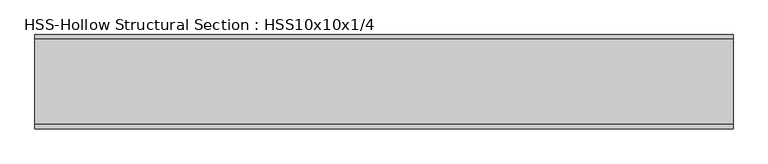
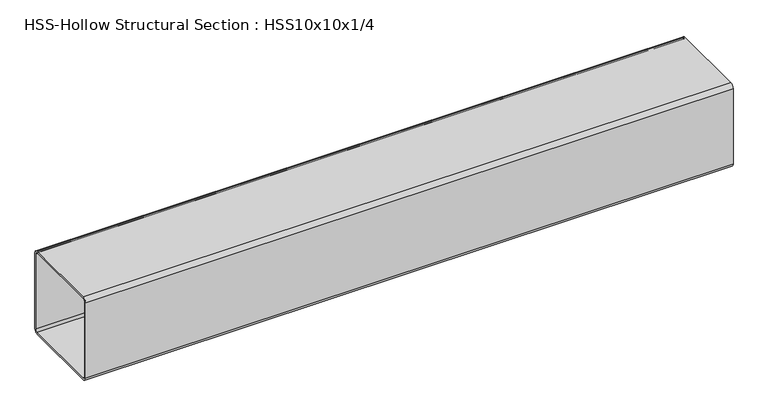
"""IFC4 building model written with IfcOpenShell, lengths in millimetres: beam geometry, HSS-Hollow Structural Section : HSS10x10x1/4."""

import ifcopenshell
import ifcopenshell.guid

model = None  # the IFC model being written
_history = None  # IfcOwnerHistory: only IFC2X3 demands one
_inside = {}  # id of a spatial element -> (the spatial element, [elements in it])
_under = {}  # id of a project, library or spatial element -> (it, [spatial elements below it])
_declared = {}  # id of a project -> (the project, [libraries it declares])
_typed = {}  # id of a type object -> (the type object, [elements of that type])
_made_of = {}  # id of a material, layer set ... -> (it, [elements and type objects made of it])


def new_model(schema):
    """Start an empty IFC model of exactly this schema.

    Asked for "IFC4X3", IfcOpenShell would pick the latest addendum, in which some entities
    have other attributes; the version numbers below select the first issue.
    IFC2X3 requires an IfcOwnerHistory on every rooted entity: one is made here for all.
    """
    global model, _history
    if schema == "IFC4X3":
        model = ifcopenshell.file(schema_version=(4, 3, 0, 0))
    else:
        model = ifcopenshell.file(schema=schema)
    _inside.clear()
    _under.clear()
    _declared.clear()
    _typed.clear()
    _made_of.clear()
    _history = None
    if model.schema == "IFC2X3":
        org = make("IfcOrganization", Name="unknown")
        user = make(
            "IfcPersonAndOrganization",
            ThePerson=make("IfcPerson", FamilyName="unknown"),
            TheOrganization=org,
        )
        app = make(
            "IfcApplication",
            ApplicationDeveloper=org,
            Version="unknown",
            ApplicationFullName="unknown",
            ApplicationIdentifier="unknown",
        )
        _history = make(
            "IfcOwnerHistory",
            OwningUser=user,
            OwningApplication=app,
            ChangeAction="ADDED",
            CreationDate=0,
        )
    return model


def make(cls, **values):
    """One entity of the class cls with the attributes given. An attribute that is None is left unset."""
    return model.create_entity(
        cls, **{name: value for name, value in values.items() if value is not None}
    )


def rooted(cls, **values):
    """An entity with a GlobalId (a new one), such as an element, a storey or a relation."""
    return make(cls, GlobalId=ifcopenshell.guid.new(), OwnerHistory=_history, **values)


def si_unit(unit_type, name, prefix=None):
    """IfcSIUnit, for example si_unit("LENGTHUNIT", "METRE", prefix="MILLI")."""
    return make("IfcSIUnit", UnitType=unit_type, Prefix=prefix, Name=name)


def assignment(units):
    """IfcUnitAssignment: the units of a project."""
    return None if units is None else make("IfcUnitAssignment", Units=units)


def point(xyz):
    """IfcCartesianPoint."""
    return None if xyz is None else make("IfcCartesianPoint", Coordinates=xyz)


def direction(xyz):
    """IfcDirection."""
    return None if xyz is None else make("IfcDirection", DirectionRatios=xyz)


def frame(location, z_axis=None, x_axis=None):
    """IfcAxis2Placement3D, a coordinate frame: its origin and axes. An axis left out is left unset."""
    return make(
        "IfcAxis2Placement3D",
        Location=point(location),
        Axis=direction(z_axis),
        RefDirection=direction(x_axis),
    )


def frame_2d(location, x_axis=None):
    """IfcAxis2Placement2D, a coordinate frame in the plane: its origin and x axis."""
    return make(
        "IfcAxis2Placement2D", Location=point(location), RefDirection=direction(x_axis)
    )


def origin():
    """The frame at (0, 0, 0) with its axes left unset."""
    return frame((0.0, 0.0, 0.0))


def place(relative_to, where):
    """IfcLocalPlacement: puts the frame where relative to a parent placement (None: the world)."""
    return make(
        "IfcLocalPlacement", PlacementRelTo=relative_to, RelativePlacement=where
    )


def context(
    kind, dimensions, precision=None, world=None, true_north=None, identifier=None
):
    """IfcGeometricRepresentationContext, for example the 3D "Model" context."""
    return make(
        "IfcGeometricRepresentationContext",
        ContextIdentifier=identifier,
        ContextType=kind,
        CoordinateSpaceDimension=dimensions,
        Precision=precision,
        WorldCoordinateSystem=world,
        TrueNorth=true_north,
    )


def project(units=None, contexts=None):
    """IfcProject with its units and contexts."""
    return rooted(
        "IfcProject",
        Name="project",
        RepresentationContexts=contexts,
        UnitsInContext=assignment(units),
    )


def spatial(cls, under=None, at=None, **own):
    """A site, building, storey or space (cls), placed at a placement, below another one or the project."""
    s = rooted(cls, ObjectPlacement=at, **own)
    if under is not None:
        _under.setdefault(under.id(), (under, []))[1].append(s)
    return s


def polyline(points):
    """IfcPolyline through the points."""
    return make("IfcPolyline", Points=[point(p) for p in points])


def circle_curve(where, radius):
    """IfcCircle in the frame where."""
    return make("IfcCircle", Position=where, Radius=radius)


def trimmed(basis, trim1, trim2, sense, master):
    """IfcTrimmedCurve: the piece of a basis curve between two trims."""
    return make(
        "IfcTrimmedCurve",
        BasisCurve=basis,
        Trim1=trim1,
        Trim2=trim2,
        SenseAgreement=sense,
        MasterRepresentation=master,
    )


def segment(curve, same_sense, transition):
    """IfcCompositeCurveSegment."""
    return make(
        "IfcCompositeCurveSegment",
        Transition=transition,
        SameSense=same_sense,
        ParentCurve=curve,
    )


def composite_curve(segments, self_intersect=None):
    """IfcCompositeCurve: segments joined end to end."""
    return make("IfcCompositeCurve", Segments=segments, SelfIntersect=self_intersect)


def outline(outer, holes=None, kind="AREA"):
    """IfcArbitraryClosedProfileDef: a profile drawn as a closed curve; with holes, ...WithVoids."""
    if holes is None:
        return make("IfcArbitraryClosedProfileDef", ProfileType=kind, OuterCurve=outer)
    return make(
        "IfcArbitraryProfileDefWithVoids",
        ProfileType=kind,
        OuterCurve=outer,
        InnerCurves=holes,
    )


def extrude(swept, where, along, depth):
    """IfcExtrudedAreaSolid: the profile swept, set in the frame where, extruded along a direction by depth."""
    return make(
        "IfcExtrudedAreaSolid",
        SweptArea=swept,
        Position=where,
        ExtrudedDirection=direction(along),
        Depth=depth,
    )


def shape(context_of_items, identifier, shape_type, items):
    """IfcShapeRepresentation: the items that make up one representation, for example the "Body"."""
    return make(
        "IfcShapeRepresentation",
        ContextOfItems=context_of_items,
        RepresentationIdentifier=identifier,
        RepresentationType=shape_type,
        Items=items,
    )


def source(mapping_origin, context_of_items, identifier, shape_type, items):
    """IfcRepresentationMap: a shape defined once, which mapped items show again and again."""
    return make(
        "IfcRepresentationMap",
        MappingOrigin=mapping_origin,
        MappedRepresentation=shape(context_of_items, identifier, shape_type, items),
    )


def transform(
    local_origin,
    x_axis=None,
    y_axis=None,
    z_axis=None,
    scale=None,
    scale2=None,
    scale3=None,
    uniform=True,
):
    """IfcCartesianTransformationOperator3D, or its non-uniform kind. x_axis, y_axis, z_axis: its Axis1, 2, 3."""
    if uniform:
        return make(
            "IfcCartesianTransformationOperator3D",
            Axis1=direction(x_axis),
            Axis2=direction(y_axis),
            LocalOrigin=point(local_origin),
            Scale=scale,
            Axis3=direction(z_axis),
        )
    return make(
        "IfcCartesianTransformationOperator3DnonUniform",
        Axis1=direction(x_axis),
        Axis2=direction(y_axis),
        LocalOrigin=point(local_origin),
        Scale=scale,
        Axis3=direction(z_axis),
        Scale2=scale2,
        Scale3=scale3,
    )


def mapped(mapping_source, mapping_target):
    """IfcMappedItem: shows the shape of a source again, moved by a transform."""
    return make(
        "IfcMappedItem", MappingSource=mapping_source, MappingTarget=mapping_target
    )


def made_of(thing, what):
    """Note that an element or type object is made of a material, layer set ...; save() writes the relation."""
    if what is not None:
        _made_of.setdefault(what.id(), (what, []))[1].append(thing)
    return thing


def element(
    cls,
    number,
    at=None,
    inside=None,
    cuts=None,
    type_object=None,
    material=None,
    context=None,
    identifier="Body",
    shape_type=None,
    held_by="IfcProductDefinitionShape",
    body=None,
    shapes=None,
    **own,
):
    """One element of the class cls, such as IfcWall. Its Tag is "e" and its number.

    at: its placement. inside: the storey or other place that contains it. cuts: it is an
    opening in that element (IfcRelVoidsElement). A single representation is given by context,
    identifier, shape_type and body (its items); several are given by shapes. held_by: the class
    of the entity that holds the representations. save() writes the other relations.
    """
    e = rooted(cls, Tag="e%d" % number, ObjectPlacement=at, **own)
    if body is not None:
        shapes = [shape(context, identifier, shape_type, body)]
    if shapes is not None:
        e.Representation = make(held_by, Representations=shapes)
    if inside is not None:
        _inside.setdefault(inside.id(), (inside, []))[1].append(e)
    if cuts is not None:
        rooted(
            "IfcRelVoidsElement", RelatingBuildingElement=cuts, RelatedOpeningElement=e
        )
    if type_object is not None:
        _typed.setdefault(type_object.id(), (type_object, []))[1].append(e)
    return made_of(e, material)


def aggregate(whole, parts):
    """IfcRelAggregates: a whole, such as a stair, and the parts it consists of."""
    return rooted("IfcRelAggregates", RelatingObject=whole, RelatedObjects=parts)


def save(model, path):
    """Write the relations noted so far, then the file.

    IfcRelAggregates (storeys below a building ...), IfcRelContainedInSpatialStructure (elements
    in a storey), IfcRelDefinesByType, IfcRelAssociatesMaterial and IfcRelDeclares: one each for
    every whole, place, type object, material and project.
    """
    for whole, parts in _under.values():
        aggregate(whole, parts)
    for where, things in _inside.values():
        rooted(
            "IfcRelContainedInSpatialStructure",
            RelatedElements=things,
            RelatingStructure=where,
        )
    for kind, things in _typed.values():
        rooted("IfcRelDefinesByType", RelatedObjects=things, RelatingType=kind)
    for what, things in _made_of.values():
        rooted("IfcRelAssociatesMaterial", RelatedObjects=things, RelatingMaterial=what)
    for by, libraries in _declared.values():
        rooted("IfcRelDeclares", RelatingContext=by, RelatedDefinitions=libraries)
    model.write(path)


def hss_hollow_structural_section_hss10x10x1_4_7b7e585b(model_context):
    return source(origin(), model_context, "Body", "SweptSolid", [
        extrude(outline(composite_curve([segment(trimmed(circle_curve(frame_2d((-115.1636, 115.1636)), 11.8364), [point((-127.0, 115.1636))], [point((-115.1636, 127.0))], False, "CARTESIAN"), True, "CONTINUOUS"), segment(polyline([(-115.1636, 127.0), (115.1636, 127.0)]), True, "CONTINUOUS"), segment(trimmed(circle_curve(frame_2d((115.1636, 115.1636)), 11.8364), [point((115.1636, 127.0))], [point((127.0, 115.1636))], False, "CARTESIAN"), True, "CONTINUOUS"), segment(polyline([(127.0, 115.1636), (127.0, -115.1636)]), True, "CONTINUOUS"), segment(trimmed(circle_curve(frame_2d((115.1636, -115.1636)), 11.8364), [point((127.0, -115.1636))], [point((115.1636, -127.0))], False, "CARTESIAN"), True, "CONTINUOUS"), segment(polyline([(115.1636, -127.0), (-115.1636, -127.0)]), True, "CONTINUOUS"), segment(trimmed(circle_curve(frame_2d((-115.1636, -115.1636)), 11.8364), [point((-115.1636, -127.0))], [point((-127.0, -115.1636))], False, "CARTESIAN"), True, "CONTINUOUS"), segment(polyline([(-127.0, -115.1636), (-127.0, 115.1636)]), True, "CONTINUOUS")], self_intersect=False), holes=[composite_curve([segment(polyline([(115.1636, 121.0818), (-115.1636, 121.0818)]), True, "CONTINUOUS"), segment(trimmed(circle_curve(frame_2d((-115.1636, 115.1636)), 5.9182), [point((-115.1636, 121.0818))], [point((-121.0818, 115.1636))], True, "CARTESIAN"), True, "CONTINUOUS"), segment(polyline([(-121.0818, 115.1636), (-121.0818, -115.1636)]), True, "CONTINUOUS"), segment(trimmed(circle_curve(frame_2d((-115.1636, -115.1636)), 5.9182), [point((-121.0818, -115.1636))], [point((-115.1636, -121.0818))], True, "CARTESIAN"), True, "CONTINUOUS"), segment(polyline([(-115.1636, -121.0818), (115.1636, -121.0818)]), True, "CONTINUOUS"), segment(trimmed(circle_curve(frame_2d((115.1636, -115.1636)), 5.9182), [point((115.1636, -121.0818))], [point((121.0818, -115.1636))], True, "CARTESIAN"), True, "CONTINUOUS"), segment(polyline([(121.0818, -115.1636), (121.0818, 115.1636)]), True, "CONTINUOUS"), segment(trimmed(circle_curve(frame_2d((115.1636, 115.1636)), 5.9182), [point((121.0818, 115.1636))], [point((115.1636, 121.0818))], True, "CARTESIAN"), True, "CONTINUOUS")], self_intersect=False)]), frame((-977.8707626, 0.0, 0.0), z_axis=(1.0, 0.0, 0.0), x_axis=(0.0, 1.0, 0.0)), (0.0, 0.0, 1.0), 1879.0817692),
    ])


if __name__ == "__main__":
    model = new_model("IFC4")
    model_context = context("Model", 3, world=origin())
    ifc_project = project(units=[si_unit("LENGTHUNIT", "METRE", prefix="MILLI")], contexts=[model_context])
    site = spatial("IfcSite", under=ifc_project)
    building = spatial("IfcBuilding", under=site)
    placement = place(None, origin())
    hss_hollow_structural_section_hss10x10x1_4_shape = hss_hollow_structural_section_hss10x10x1_4_7b7e585b(model_context)
    element("IfcBeam", 1, ObjectType="HSS-Hollow Structural Section : HSS10x10x1/4", at=placement, inside=building, context=model_context, shape_type="MappedRepresentation", body=[
        mapped(hss_hollow_structural_section_hss10x10x1_4_shape, transform((0.0, 0.0, 0.0), x_axis=(1.0, 0.0, 0.0), y_axis=(0.0, 1.0, 0.0), z_axis=(0.0, 0.0, 1.0))),
    ])
    save(model, "model.ifc")
